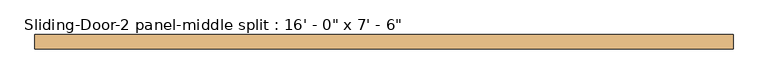
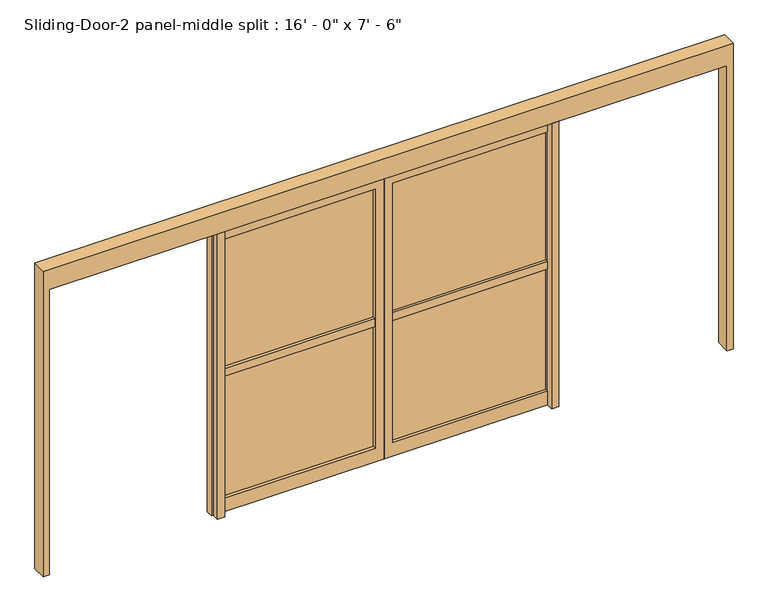
"""IFC4 building model written with IfcOpenShell, lengths in millimetres: door geometry."""

from ifc_helpers import new_model, si_unit, frame, origin, origin_with_axes, place, context, project, spatial, polyline, outline, extrude, source, transform, mapped, element, save


def door_6dba4b88(model_context):
    return source(origin(), model_context, "Body", "SweptSolid", [
        extrude(outline(polyline([(1676.4, 61.9125), (1625.6, 61.9125), (1625.6, 112.7125), (1676.4, 112.7125), (1676.4, 61.9125)])), origin_with_axes(), (0.0, 0.0, 1.0), 2133.6),
        extrude(outline(polyline([(2286.0, 2908.3), (2286.0, -1968.5), (0.0, -1968.5), (0.0, -1924.05), (2133.6, -1924.05), (2133.6, 2863.85), (0.0, 2863.85), (0.0, 2908.3), (2286.0, 2908.3)])), frame((0.0, 61.9125, 0.0), z_axis=(0.0, 1.0, 0.0), x_axis=(0.0, 0.0, 1.0)), (0.0, 0.0, 1.0), 101.6),
        extrude(outline(polyline([(-736.6, 112.7125), (-685.8, 112.7125), (-685.8, 61.9125), (-736.6, 61.9125), (-736.6, 112.7125)])), origin_with_axes(), (0.0, 0.0, 1.0), 2133.6),
        extrude(outline(polyline([(-685.8, 134.9375), (-685.8, 141.2875), (406.4, 141.2875), (406.4, 134.9375), (-685.8, 134.9375)])), frame((0.0, 0.0, 101.6), z_axis=(0.0, 0.0, 1.0), x_axis=(1.0, 0.0, 0.0)), (0.0, 0.0, 1.0), 1936.75),
        extrude(outline(polyline([(2133.6, 469.9), (2133.6, -749.3), (0.0, -749.3), (0.0, 469.9), (2133.6, 469.9)]), holes=[polyline([(2038.35, 406.4), (101.6, 406.4), (101.6, -685.8), (2038.35, -685.8), (2038.35, 406.4)])]), frame((0.0, 112.7125, 0.0), z_axis=(0.0, 1.0, 0.0), x_axis=(0.0, 0.0, 1.0)), (0.0, 0.0, 1.0), 50.8),
        extrude(outline(polyline([(-685.8, 112.7125), (-685.8, 163.5125), (406.4, 163.5125), (406.4, 112.7125), (-685.8, 112.7125)])), frame((0.0, 0.0, 1012.825), z_axis=(0.0, 0.0, 1.0), x_axis=(1.0, 0.0, 0.0)), (0.0, 0.0, 1.0), 57.15),
        extrude(outline(polyline([(1625.6, 134.9375), (533.4, 134.9375), (533.4, 141.2875), (1625.6, 141.2875), (1625.6, 134.9375)])), frame((0.0, 0.0, 101.6), z_axis=(0.0, 0.0, 1.0), x_axis=(1.0, 0.0, 0.0)), (0.0, 0.0, 1.0), 1936.75),
        extrude(outline(polyline([(2133.6, 469.9), (0.0, 469.9), (0.0, 1689.1), (2133.6, 1689.1), (2133.6, 469.9)]), holes=[polyline([(2038.35, 533.4), (2038.35, 1625.6), (101.6, 1625.6), (101.6, 533.4), (2038.35, 533.4)])]), frame((0.0, 112.7125, 0.0), z_axis=(0.0, 1.0, 0.0), x_axis=(0.0, 0.0, 1.0)), (0.0, 0.0, 1.0), 50.8),
        extrude(outline(polyline([(1625.6, 112.7125), (533.4, 112.7125), (533.4, 163.5125), (1625.6, 163.5125), (1625.6, 112.7125)])), frame((0.0, 0.0, 1012.825), z_axis=(0.0, 0.0, 1.0), x_axis=(1.0, 0.0, 0.0)), (0.0, 0.0, 1.0), 57.15),
    ])


if __name__ == "__main__":
    model = new_model("IFC4")
    model_context = context("Model", 3, world=origin())
    ifc_project = project(units=[si_unit("LENGTHUNIT", "METRE", prefix="MILLI")], contexts=[model_context])
    site = spatial("IfcSite", under=ifc_project)
    building = spatial("IfcBuilding", under=site)
    placement = place(None, origin())
    door_shape = door_6dba4b88(model_context)
    element("IfcDoor", 1, ObjectType="Sliding-Door-2 panel-middle split : 16' - 0\" x 7' - 6\"", at=placement, inside=building, context=model_context, shape_type="MappedRepresentation", body=[
        mapped(door_shape, transform((0.0, 0.0, 0.0), x_axis=(1.0, 0.0, 0.0), y_axis=(0.0, 1.0, 0.0), z_axis=(0.0, 0.0, 1.0))),
    ])
    save(model, "model.ifc")
